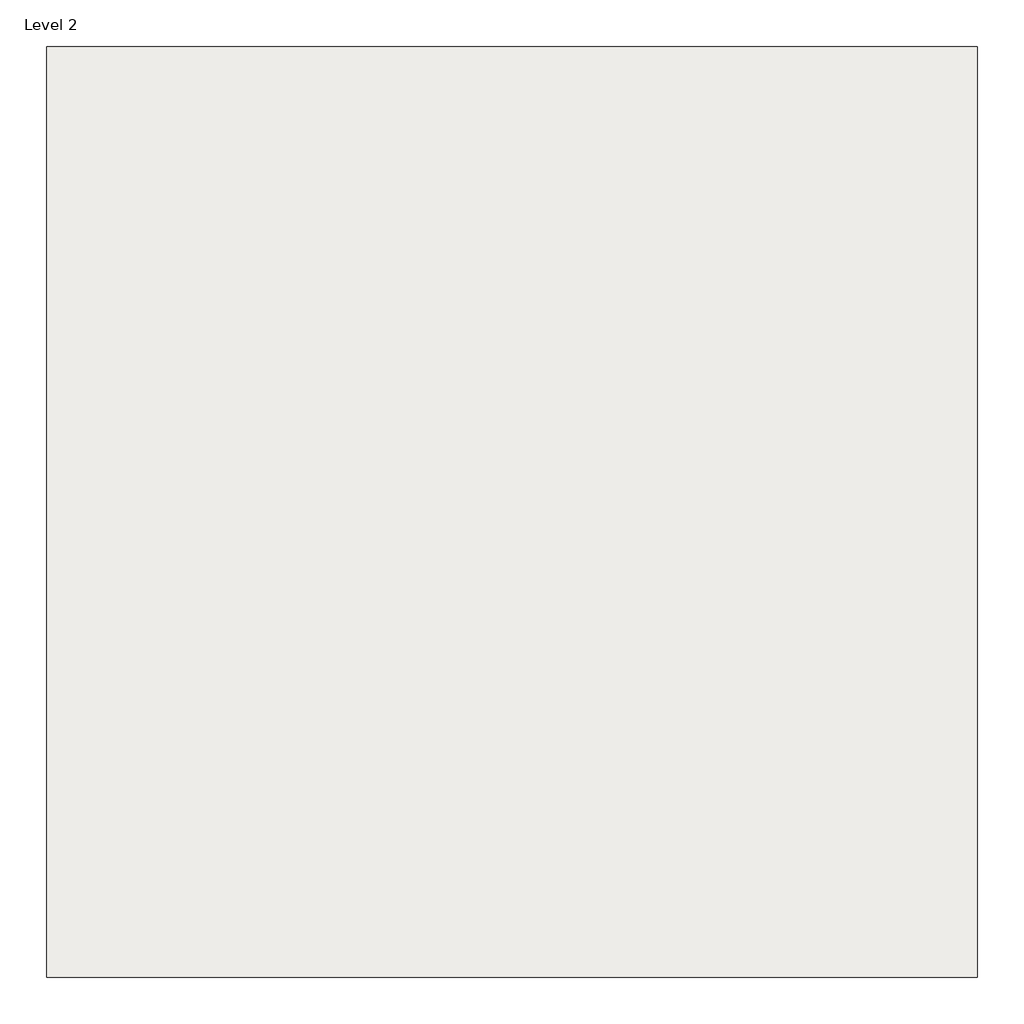
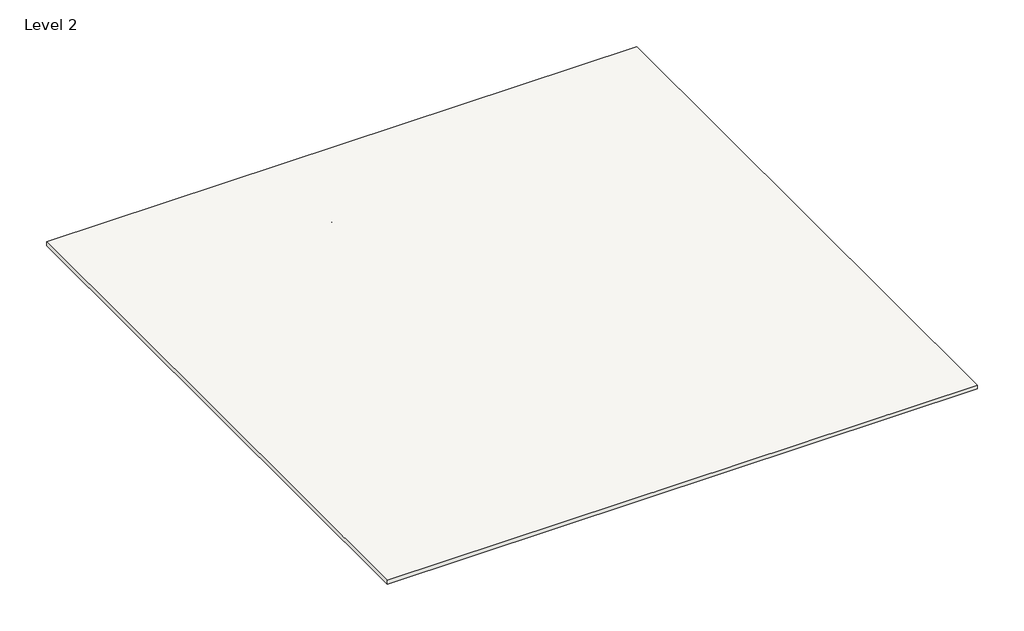
# One storey, part 1 of 2: 1 slab.
"""IFC4 building model written with IfcOpenShell, lengths in millimetres."""

from ifc_helpers import new_model, si_unit, frame, origin, place, context, project, spatial, polyline, outline, extrude, element, save

model = new_model("IFC4")

# Units and contexts
model_context = context("Model", 3, world=origin())
ifc_project = project(units=[si_unit("LENGTHUNIT", "METRE", prefix="MILLI")], contexts=[model_context])

# Site, building, storey
site = spatial("IfcSite", under=ifc_project)
building = spatial("IfcBuilding", under=site)
storey = spatial("IfcBuildingStorey", under=building, Name="Level 2", Elevation=3048.0)

# Slab
placement = place(None, origin())
element("IfcSlab", 1, ObjectType="8\" Concrete", at=placement, inside=storey, context=model_context, shape_type="SweptSolid", body=[
    extrude(outline(polyline([(-19650.2565831, 23067.8470641), (11439.3434169, 23067.8470641), (11439.3434169, -8021.7529359), (-19650.2565831, -8021.7529359), (-19650.2565831, 23067.8470641)])), frame((0.0, 0.0, 2844.8), z_axis=(0.0, 0.0, 1.0), x_axis=(1.0, 0.0, 0.0)), (0.0, 0.0, 1.0), 203.2),
])

save(model, "model.ifc")
